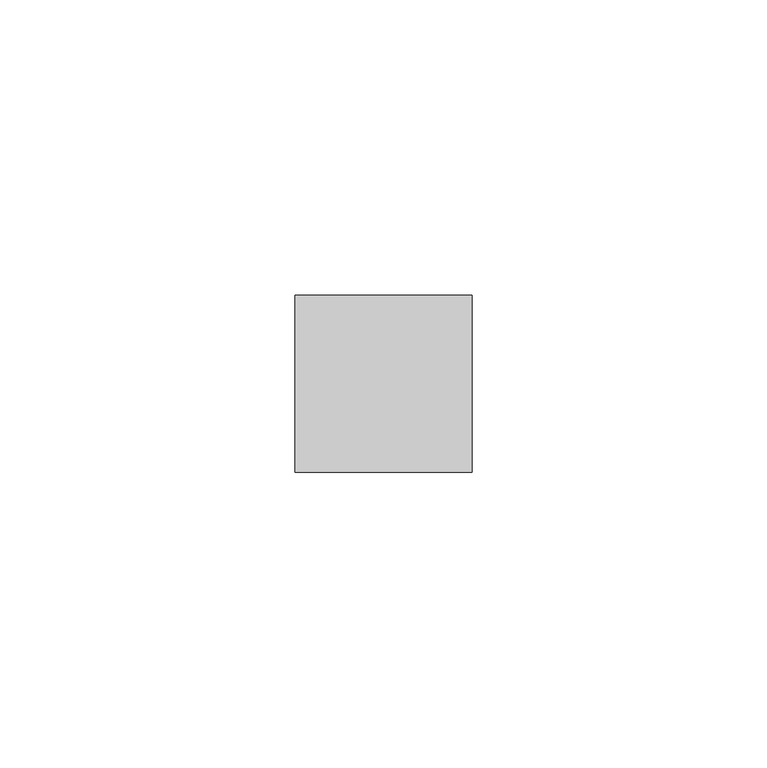
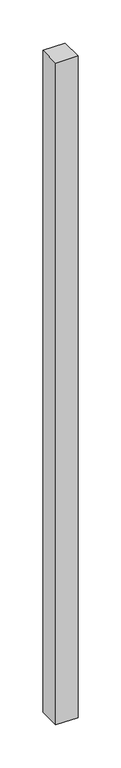
"""IFC4 building model written with IfcOpenShell, lengths in millimetres: member geometry."""

from ifc_helpers import new_model, si_unit, frame, origin, place, context, project, spatial, polyline, outline, extrude, source, transform, mapped, element, save


def member_ca734fac(model_context):
    return source(origin(), model_context, "Body", "SweptSolid", [
        extrude(outline(polyline([(15.0, 15.0), (15.0, -15.0), (-15.0, -15.0), (-15.0, 15.0), (15.0, 15.0)])), frame((0.0, 0.0, -939.1666667), z_axis=(0.0, 0.0, 1.0), x_axis=(1.0, 0.0, 0.0)), (0.0, 0.0, 1.0), 939.1666667),
    ])


if __name__ == "__main__":
    model = new_model("IFC4")
    model_context = context("Model", 3, world=origin())
    ifc_project = project(units=[si_unit("LENGTHUNIT", "METRE", prefix="MILLI")], contexts=[model_context])
    site = spatial("IfcSite", under=ifc_project)
    building = spatial("IfcBuilding", under=site)
    placement = place(None, origin())
    member_shape = member_ca734fac(model_context)
    element("IfcMember", 1, at=placement, inside=building, context=model_context, shape_type="MappedRepresentation", body=[
        mapped(member_shape, transform((0.0, 0.0, 0.0), x_axis=(1.0, 0.0, 0.0), y_axis=(0.0, 1.0, 0.0), z_axis=(0.0, 0.0, 1.0))),
    ])
    save(model, "model.ifc")
